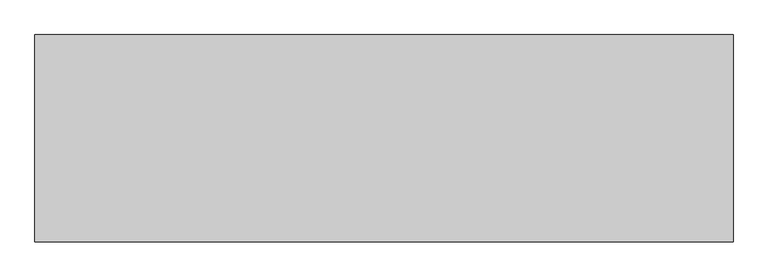
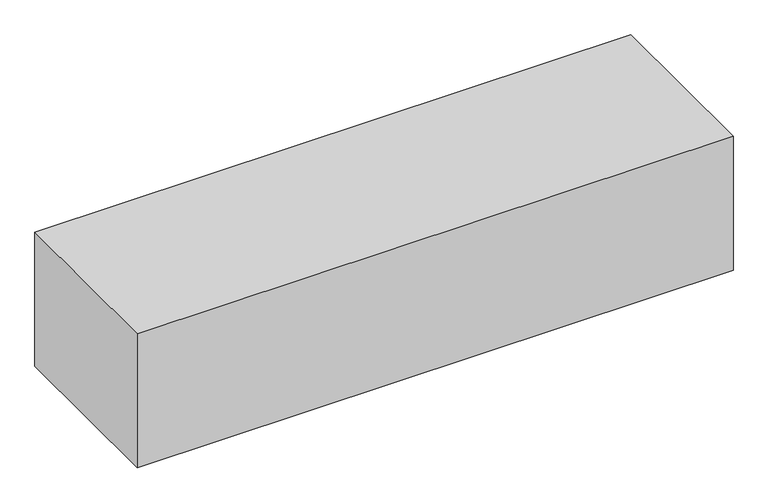
"""IFC4 building model written with IfcOpenShell, lengths in millimetres: geographic element geometry."""

from ifc_helpers import new_model, si_unit, origin, origin_with_axes, place, context, project, spatial, polyline, outline, extrude, source, transform, mapped, element, save


def geographic_element_b699ae96(model_context):
    return source(origin(), model_context, "Body", "SweptSolid", [
        extrude(outline(polyline([(0.0, 0.0), (0.0, 500.0), (1682.9446658, 500.0), (1682.9446658, 0.0), (0.0, 0.0)])), origin_with_axes(), (0.0, 0.0, 1.0), 400.0),
    ])


if __name__ == "__main__":
    model = new_model("IFC4")
    model_context = context("Model", 3, world=origin())
    ifc_project = project(units=[si_unit("LENGTHUNIT", "METRE", prefix="MILLI")], contexts=[model_context])
    site = spatial("IfcSite", under=ifc_project)
    building = spatial("IfcBuilding", under=site)
    placement = place(None, origin())
    geographic_element_shape = geographic_element_b699ae96(model_context)
    element("IfcGeographicElement", 1, at=placement, inside=building, context=model_context, shape_type="MappedRepresentation", body=[
        mapped(geographic_element_shape, transform((0.0, 0.0, 0.0), x_axis=(1.0, 0.0, 0.0), y_axis=(0.0, 1.0, 0.0), z_axis=(0.0, 0.0, 1.0))),
    ])
    save(model, "model.ifc")
